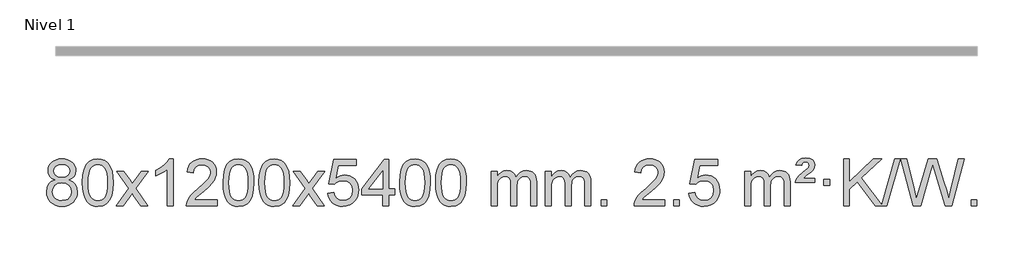
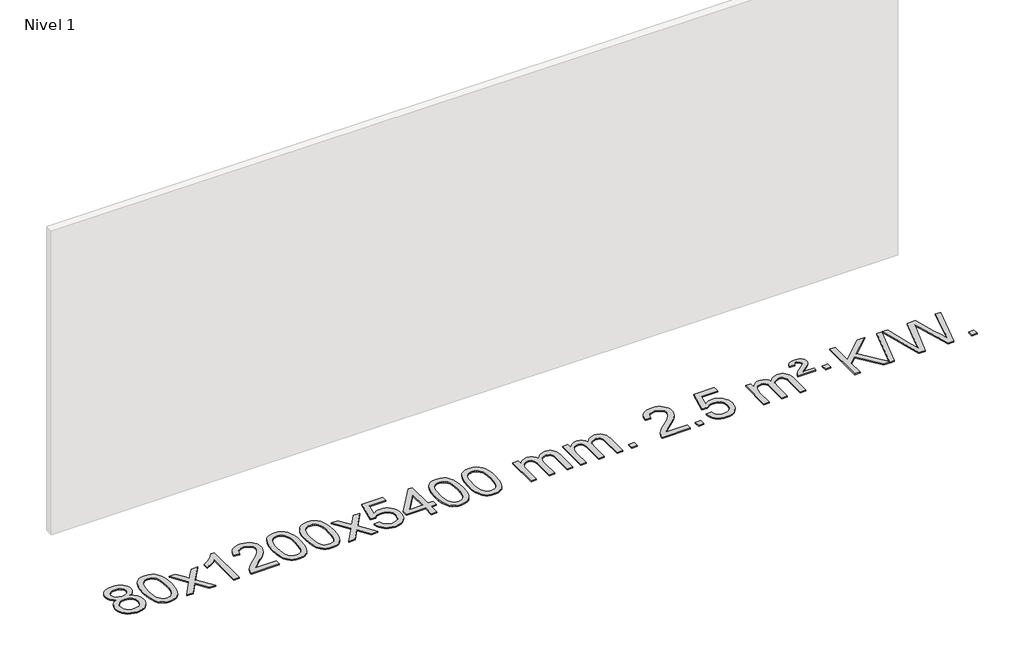
# One storey, part 7 of 9: 1 proxy.
"""IFC4 building model written with IfcOpenShell, lengths in millimetres."""

from ifc_helpers import new_model, si_unit, origin, origin_with_axes, place, context, project, spatial, polyline, outline, extrude, element, save

model = new_model("IFC4")

# Units and contexts
model_context = context("Model", 3, world=origin())
ifc_project = project(units=[si_unit("LENGTHUNIT", "METRE", prefix="MILLI")], contexts=[model_context])

# Site, building, storey
site = spatial("IfcSite", under=ifc_project)
building = spatial("IfcBuilding", under=site)
storey = spatial("IfcBuildingStorey", under=building, Name="Nivel 1", Elevation=0.0)

# Proxy
placement = place(None, origin())
element("IfcBuildingElementProxy", 1, Name="Texto de modelo 1", ObjectType="Texto de modelo 1", at=placement, inside=storey, context=model_context, shape_type="SweptSolid", body=[
    extrude(outline(polyline([(-236.8094438, -3195.2616447), (-263.7016177, -3182.0178929), (-282.573964, -3164.0652515), (-293.7207885, -3141.7716026), (-297.4363966, -3115.5048281), (-295.4130456, -3095.0199324), (-289.3429927, -3076.2395565), (-279.2262378, -3059.1637006), (-265.062781, -3043.7923645), (-247.533204, -3031.088173), (-227.3180883, -3022.0137504), (-204.4174341, -3016.5690969), (-178.8312414, -3014.7542124), (-153.1224213, -3016.6120165), (-130.0500888, -3022.1854287), (-109.614244, -3031.4744491), (-91.8148868, -3044.4790776), (-77.3939126, -3060.1508506), (-67.0932167, -3077.4413044), (-60.9127992, -3096.3504389), (-58.85266, -3116.8782543), (-62.5192172, -3142.2989001), (-73.5188889, -3164.2124043), (-91.9743023, -3182.0546811), (-118.0080848, -3195.2616447), (-87.0937345, -3211.1909351), (-64.5916191, -3234.6495436), (-50.8696207, -3264.5092989), (-46.2956212, -3299.6420295), (-48.5642269, -3324.6947933), (-55.3700438, -3347.6628926), (-66.713072, -3368.5463272), (-82.5933114, -3387.3450971), (-102.1768963, -3402.88198), (-124.6299607, -3413.9797536), (-149.9525047, -3420.6384177), (-178.1445283, -3422.8579724), (-206.3365519, -3420.6292206), (-231.6590959, -3413.9429654), (-254.1121603, -3402.7992066), (-273.6957452, -3387.1979443), (-289.5759846, -3368.26735), (-300.9190128, -3347.135595), (-307.7248297, -3323.8026795), (-309.9934354, -3298.2686033), (-305.2354949, -3261.7747094), (-290.9616735, -3231.7555386), (-267.9077351, -3209.2411605), (-236.8094438, -3195.2616447)]), holes=[polyline([(-247.2082415, -3116.9763561), (-242.7568694, -3138.902123), (-229.402753, -3156.413306), (-207.5382997, -3167.8912243), (-177.5559171, -3171.717197), (-148.2725103, -3167.9157497), (-126.7391508, -3156.5114079), (-113.495399, -3139.5888361), (-109.0808151, -3119.232699), (-113.6425518, -3098.1040098), (-127.327762, -3080.629615), (-149.1554271, -3068.8941794), (-178.1445283, -3064.9823675), (-207.3175705, -3068.8083402), (-229.1084474, -3080.2862585), (-242.683293, -3097.1107284), (-247.2082415, -3116.9763561)]), polyline([(-259.7652803, -3296.5027698), (-257.6683529, -3315.7184726), (-251.3775708, -3334.3210389), (-239.7647625, -3350.5446349), (-221.7017565, -3362.623427), (-200.0702952, -3370.1282197), (-177.7521208, -3372.6298173), (-143.5636208, -3367.3691048), (-129.6699441, -3360.7932141), (-117.909983, -3351.5869672), (-101.870328, -3327.6869002), (-96.5237763, -3298.0723996), (-102.0420062, -3267.9551269), (-118.596696, -3243.5277625), (-130.6754882, -3234.0854579), (-144.838945, -3227.3409547), (-179.4198526, -3221.9453521), (-213.130106, -3227.2673783), (-226.8674329, -3233.919911), (-238.5262264, -3243.2334569), (-254.4555168, -3267.1948375), (-259.7652803, -3296.5027698)])]), origin_with_axes(), (0.0, 0.0, 1.0), 10.0),
    extrude(outline(polyline([(-2.3459855, -3218.9041943), (1.3450971, -3154.5861588), (12.4183452, -3103.2911459), (30.763394, -3064.2343407), (42.621457, -3049.0009605), (56.269879, -3036.6309284), (71.7546453, -3027.0598651), (89.1217412, -3020.2233914), (129.5029215, -3014.7542124), (160.4540601, -3017.991574), (188.167837, -3027.7036586), (211.3444027, -3043.5103217), (228.6839074, -3065.0314184), (241.7805065, -3092.0830078), (252.2283551, -3124.4811488), (259.0709602, -3165.6226186), (261.3518286, -3218.9041943), (257.6975341, -3282.8543477), (246.7346507, -3334.0267333), (228.4999664, -3373.1203266), (216.6694946, -3388.3996922), (203.0302696, -3400.8341036), (187.5271092, -3410.4695462), (170.1048311, -3417.3520052), (129.5029215, -3422.8579724), (101.8381955, -3420.4667394), (77.3127291, -3413.2930405), (55.9265225, -3401.3368757), (37.6795755, -3384.5982449), (20.1683926, -3354.3399508), (7.6604047, -3316.6381776), (0.155612, -3271.4929255), (-2.3459855, -3218.9041943)]), holes=[polyline([(47.8821695, -3218.8060924), (49.3536975, -3262.4706195), (53.7682815, -3297.8148822), (61.1259214, -3324.8388804), (71.4266172, -3343.5426142), (83.8855541, -3356.2682656), (97.7179171, -3365.3580165), (112.9237063, -3370.8118671), (129.5029215, -3372.6298173), (146.0821368, -3370.8057357), (161.2879259, -3365.3334911), (175.1202889, -3356.2130833), (187.5792258, -3343.4445124), (197.8799217, -3324.7101217), (205.2375616, -3297.6922549), (209.6521455, -3262.3909118), (211.1236735, -3218.8060924), (209.7011965, -3176.2973278), (205.4337653, -3141.5753989), (198.3213801, -3114.6403055), (188.3640408, -3095.4920476), (176.1135703, -3082.1440625), (162.1217918, -3072.6097875), (146.3887051, -3066.8892225), (128.9143103, -3064.9823675), (112.4209342, -3066.6623619), (97.4726625, -3071.7023452), (84.0694951, -3080.1023175), (72.2114321, -3091.8622786), (61.5673797, -3112.708925), (53.9644852, -3140.8151094), (49.4027484, -3176.1808319), (47.8821695, -3218.8060924)])]), origin_with_axes(), (0.0, 0.0, 1.0), 10.0),
    extrude(outline(polyline([(286.4659061, -3416.579453), (393.7893469, -3268.2494325), (292.7444255, -3121.4890419), (353.1751746, -3121.4890419), (401.9318017, -3192.122385), (424.6914345, -3225.4770192), (444.4099094, -3198.2047007), (499.9355652, -3121.4890419), (560.3663143, -3121.4890419), (454.2200959, -3268.2494325), (556.4422397, -3416.579453), (496.0114906, -3416.579453), (434.501621, -3327.4048574), (423.2199065, -3311.1199477), (346.8966552, -3416.579453), (286.4659061, -3416.579453)])), origin_with_axes(), (0.0, 0.0, 1.0), 10.0),
    extrude(outline(polyline([(776.1904181, -3416.579453), (725.962263, -3416.579453), (725.962263, -3103.4382987), (704.9929893, -3120.3976587), (678.3828583, -3137.3324932), (625.5059529, -3162.6918254), (625.5059529, -3115.2105225), (664.9551655, -3093.7507395), (699.1314029, -3068.219729), (726.0726276, -3041.0700378), (743.8168025, -3014.7542124), (776.1904181, -3014.7542124), (776.1904181, -3416.579453)])), origin_with_axes(), (0.0, 0.0, 1.0), 10.0),
    extrude(outline(polyline([(1152.9015812, -3366.3512979), (1152.9015812, -3416.579453), (889.203767, -3416.579453), (890.307413, -3398.8965918), (894.5993696, -3381.9494945), (906.9847301, -3354.8856424), (925.1090498, -3328.6311307), (951.3267733, -3301.1503456), (987.9923455, -3270.4076736), (1042.1936261, -3222.2641831), (1074.7143945, -3186.7267824), (1090.9747787, -3157.884834), (1096.3949067, -3129.8277005), (1091.281347, -3104.6768347), (1075.9406678, -3083.7688747), (1052.3594319, -3069.6789943), (1022.5242021, -3064.9823675), (991.1929188, -3069.5686297), (966.8513935, -3083.3274163), (951.1428323, -3105.1796068), (945.7104415, -3134.0460807), (895.4822864, -3127.7675613), (899.8018342, -3101.838012), (907.6591805, -3079.1826125), (919.0543253, -3059.8013627), (933.9872686, -3043.6942627), (952.1146539, -3031.0329907), (973.0931247, -3021.989225), (996.9226809, -3016.5629655), (1023.6033226, -3014.7542124), (1050.5230876, -3016.7653006), (1074.4814025, -3022.7985654), (1095.4782674, -3032.8540066), (1113.5136822, -3046.9316242), (1127.9990358, -3063.9890861), (1138.3457169, -3082.9840598), (1144.5537256, -3103.9165453), (1146.6230618, -3126.7865427), (1144.3912444, -3150.8092369), (1137.695792, -3174.4149983), (1125.8132036, -3198.4254299), (1108.0199778, -3223.6621347), (1079.6562759, -3253.7916701), (1036.0622595, -3292.4805933), (978.2802608, -3340.795762), (955.6187299, -3366.3512979), (1152.9015812, -3366.3512979)])), origin_with_axes(), (0.0, 0.0, 1.0), 10.0),
    extrude(outline(polyline([(1203.1297362, -3218.9041943), (1206.8208189, -3154.5861588), (1217.894067, -3103.2911459), (1236.2391158, -3064.2343407), (1248.0971788, -3049.0009605), (1261.7456008, -3036.6309284), (1277.2303671, -3027.0598651), (1294.597463, -3020.2233914), (1334.9786433, -3014.7542124), (1365.9297818, -3017.991574), (1393.6435588, -3027.7036586), (1416.8201245, -3043.5103217), (1434.1596292, -3065.0314184), (1447.2562282, -3092.0830078), (1457.7040769, -3124.4811488), (1464.546682, -3165.6226186), (1466.8275504, -3218.9041943), (1463.1732559, -3282.8543477), (1452.2103725, -3334.0267333), (1433.9756882, -3373.1203266), (1422.1452164, -3388.3996922), (1408.5059914, -3400.8341036), (1393.002831, -3410.4695462), (1375.5805529, -3417.3520052), (1334.9786433, -3422.8579724), (1307.3139173, -3420.4667394), (1282.7884509, -3413.2930405), (1261.4022443, -3401.3368757), (1243.1552973, -3384.5982449), (1225.6441144, -3354.3399508), (1213.1361265, -3316.6381776), (1205.6313338, -3271.4929255), (1203.1297362, -3218.9041943)]), holes=[polyline([(1253.3578913, -3218.8060924), (1254.8294193, -3262.4706195), (1259.2440032, -3297.8148822), (1266.6016432, -3324.8388804), (1276.902339, -3343.5426142), (1289.3612759, -3356.2682656), (1303.1936389, -3365.3580165), (1318.3994281, -3370.8118671), (1334.9786433, -3372.6298173), (1351.5578586, -3370.8057357), (1366.7636477, -3365.3334911), (1380.5960107, -3356.2130833), (1393.0549476, -3343.4445124), (1403.3556435, -3324.7101217), (1410.7132834, -3297.6922549), (1415.1278673, -3262.3909118), (1416.5993953, -3218.8060924), (1415.1769183, -3176.2973278), (1410.9094871, -3141.5753989), (1403.7971019, -3114.6403055), (1393.8397625, -3095.4920476), (1381.5892921, -3082.1440625), (1367.5975136, -3072.6097875), (1351.8644269, -3066.8892225), (1334.3900321, -3064.9823675), (1317.896656, -3066.6623619), (1302.9483843, -3071.7023452), (1289.5452169, -3080.1023175), (1277.6871539, -3091.8622786), (1267.0431015, -3112.708925), (1259.440207, -3140.8151094), (1254.8784702, -3176.1808319), (1253.3578913, -3218.8060924)])]), origin_with_axes(), (0.0, 0.0, 1.0), 10.0),
    extrude(outline(polyline([(1510.7771861, -3218.9041943), (1514.4682688, -3154.5861588), (1525.5415168, -3103.2911459), (1543.8865656, -3064.2343407), (1555.7446286, -3049.0009605), (1569.3930506, -3036.6309284), (1584.877817, -3027.0598651), (1602.2449128, -3020.2233914), (1642.6260932, -3014.7542124), (1673.5772317, -3017.991574), (1701.2910087, -3027.7036586), (1724.4675743, -3043.5103217), (1741.8070791, -3065.0314184), (1754.9036781, -3092.0830078), (1765.3515267, -3124.4811488), (1772.1941319, -3165.6226186), (1774.4750002, -3218.9041943), (1770.8207057, -3282.8543477), (1759.8578223, -3334.0267333), (1741.6231381, -3373.1203266), (1729.7926662, -3388.3996922), (1716.1534413, -3400.8341036), (1700.6502808, -3410.4695462), (1683.2280027, -3417.3520052), (1642.6260932, -3422.8579724), (1614.9613671, -3420.4667394), (1590.4359008, -3413.2930405), (1569.0496941, -3401.3368757), (1550.8027472, -3384.5982449), (1533.2915642, -3354.3399508), (1520.7835764, -3316.6381776), (1513.2787836, -3271.4929255), (1510.7771861, -3218.9041943)]), holes=[polyline([(1561.0053412, -3218.8060924), (1562.4768691, -3262.4706195), (1566.8914531, -3297.8148822), (1574.249093, -3324.8388804), (1584.5497888, -3343.5426142), (1597.0087258, -3356.2682656), (1610.8410888, -3365.3580165), (1626.0468779, -3370.8118671), (1642.6260932, -3372.6298173), (1659.2053084, -3370.8057357), (1674.4110975, -3365.3334911), (1688.2434606, -3356.2130833), (1700.7023975, -3343.4445124), (1711.0030933, -3324.7101217), (1718.3607332, -3297.6922549), (1722.7753172, -3262.3909118), (1724.2468452, -3218.8060924), (1722.8243681, -3176.2973278), (1718.556937, -3141.5753989), (1711.4445517, -3114.6403055), (1701.4872124, -3095.4920476), (1689.2367419, -3082.1440625), (1675.2449634, -3072.6097875), (1659.5118767, -3066.8892225), (1642.037482, -3064.9823675), (1625.5441058, -3066.6623619), (1610.5958341, -3071.7023452), (1597.1926667, -3080.1023175), (1585.3346038, -3091.8622786), (1574.6905514, -3112.708925), (1567.0876568, -3140.8151094), (1562.5259201, -3176.1808319), (1561.0053412, -3218.8060924)])]), origin_with_axes(), (0.0, 0.0, 1.0), 10.0),
    extrude(outline(polyline([(1799.5890778, -3416.579453), (1906.9125185, -3268.2494325), (1805.8675971, -3121.4890419), (1866.2983462, -3121.4890419), (1915.0549733, -3192.122385), (1937.8146061, -3225.4770192), (1957.533081, -3198.2047007), (2013.0587368, -3121.4890419), (2073.4894859, -3121.4890419), (1967.3432676, -3268.2494325), (2069.5654113, -3416.579453), (2009.1346622, -3416.579453), (1947.6247926, -3327.4048574), (1936.3430781, -3311.1199477), (1860.0198268, -3416.579453), (1799.5890778, -3416.579453)])), origin_with_axes(), (0.0, 0.0, 1.0), 10.0),
    extrude(outline(polyline([(2100.9580082, -3309.8446235), (2151.1861633, -3303.5661041), (2160.4077386, -3333.7201649), (2176.4964446, -3355.3148381), (2199.3787047, -3368.3010725), (2228.9809425, -3372.6298173), (2248.1108063, -3371.1245668), (2264.9843271, -3366.6088153), (2279.6015051, -3359.0825628), (2291.9623401, -3348.5458094), (2301.7909207, -3335.519721), (2308.8113355, -3320.5254641), (2314.4276673, -3284.6324441), (2309.1669547, -3250.8363514), (2302.5910641, -3236.9181493), (2293.3848172, -3224.9865099), (2281.5175571, -3215.4154467), (2266.9586272, -3208.5789729), (2229.7657575, -3203.1097939), (2205.3997066, -3205.2925604), (2185.668969, -3211.8408599), (2169.9113568, -3221.8717757), (2157.4646827, -3234.5023908), (2107.2365276, -3228.2238715), (2151.1861633, -3021.0327318), (2345.8202642, -3021.0327318), (2345.8202642, -3071.2608869), (2191.8003356, -3071.2608869), (2170.316027, -3181.919791), (2188.0418078, -3169.2155994), (2206.1967843, -3160.1411769), (2224.7809564, -3154.6965234), (2243.7943242, -3152.8816388), (2268.2554112, -3155.1318504), (2290.7238041, -3161.882485), (2311.1995028, -3173.1335427), (2329.6825073, -3188.8850234), (2344.9833327, -3208.1743027), (2355.9124936, -3230.038756), (2362.4699902, -3254.4783832), (2364.6558224, -3281.4931844), (2362.6876537, -3307.5147042), (2356.7831477, -3331.7213394), (2346.9423043, -3354.1130902), (2333.1651236, -3374.6899565), (2312.2939517, -3395.7634634), (2287.9401636, -3410.8159684), (2260.1037593, -3419.8474714), (2228.7847388, -3422.8579724), (2202.8643866, -3420.9235262), (2179.4517632, -3415.1201877), (2158.5468689, -3405.447957), (2140.1497034, -3391.9068338), (2124.8427467, -3375.1712688), (2113.2084787, -3355.915712), (2105.2468991, -3334.1401636), (2100.9580082, -3309.8446235)])), origin_with_axes(), (0.0, 0.0, 1.0), 10.0),
    extrude(outline(polyline([(2571.846962, -3416.579453), (2571.846962, -3322.4016622), (2389.7698999, -3322.4016622), (2389.7698999, -3272.1735072), (2584.4040008, -3021.0327318), (2622.0751171, -3021.0327318), (2622.0751171, -3272.1735072), (2672.3032722, -3272.1735072), (2672.3032722, -3322.4016622), (2622.0751171, -3322.4016622), (2622.0751171, -3416.579453), (2571.846962, -3416.579453)]), holes=[polyline([(2571.846962, -3272.1735072), (2571.846962, -3116.9763561), (2451.5740751, -3272.1735072), (2571.846962, -3272.1735072)])]), origin_with_axes(), (0.0, 0.0, 1.0), 10.0),
    extrude(outline(polyline([(2716.2529079, -3218.9041943), (2719.9439906, -3154.5861588), (2731.0172386, -3103.2911459), (2749.3622874, -3064.2343407), (2761.2203504, -3049.0009605), (2774.8687724, -3036.6309284), (2790.3535388, -3027.0598651), (2807.7206346, -3020.2233914), (2848.1018149, -3014.7542124), (2879.0529535, -3017.991574), (2906.7667304, -3027.7036586), (2929.9432961, -3043.5103217), (2947.2828008, -3065.0314184), (2960.3793999, -3092.0830078), (2970.8272485, -3124.4811488), (2977.6698537, -3165.6226186), (2979.950722, -3218.9041943), (2976.2964275, -3282.8543477), (2965.3335441, -3334.0267333), (2947.0988599, -3373.1203266), (2935.268388, -3388.3996922), (2921.6291631, -3400.8341036), (2906.1260026, -3410.4695462), (2888.7037245, -3417.3520052), (2848.1018149, -3422.8579724), (2820.4370889, -3420.4667394), (2795.9116226, -3413.2930405), (2774.5254159, -3401.3368757), (2756.278469, -3384.5982449), (2738.767286, -3354.3399508), (2726.2592981, -3316.6381776), (2718.7545054, -3271.4929255), (2716.2529079, -3218.9041943)]), holes=[polyline([(2766.481063, -3218.8060924), (2767.9525909, -3262.4706195), (2772.3671749, -3297.8148822), (2779.7248148, -3324.8388804), (2790.0255106, -3343.5426142), (2802.4844475, -3356.2682656), (2816.3168106, -3365.3580165), (2831.5225997, -3370.8118671), (2848.1018149, -3372.6298173), (2864.6810302, -3370.8057357), (2879.8868193, -3365.3334911), (2893.7191824, -3356.2130833), (2906.1781193, -3343.4445124), (2916.4788151, -3324.7101217), (2923.836455, -3297.6922549), (2928.251039, -3262.3909118), (2929.7225669, -3218.8060924), (2928.3000899, -3176.2973278), (2924.0326588, -3141.5753989), (2916.9202735, -3114.6403055), (2906.9629342, -3095.4920476), (2894.7124637, -3082.1440625), (2880.7206852, -3072.6097875), (2864.9875985, -3066.8892225), (2847.5132038, -3064.9823675), (2831.0198276, -3066.6623619), (2816.0715559, -3071.7023452), (2802.6683885, -3080.1023175), (2790.8103256, -3091.8622786), (2780.1662732, -3112.708925), (2772.5633786, -3140.8151094), (2768.0016419, -3176.1808319), (2766.481063, -3218.8060924)])]), origin_with_axes(), (0.0, 0.0, 1.0), 10.0),
    extrude(outline(polyline([(3023.9003577, -3218.9041943), (3027.5914404, -3154.5861588), (3038.6646885, -3103.2911459), (3057.0097373, -3064.2343407), (3068.8678003, -3049.0009605), (3082.5162223, -3036.6309284), (3098.0009886, -3027.0598651), (3115.3680844, -3020.2233914), (3155.7492648, -3014.7542124), (3186.7004033, -3017.991574), (3214.4141803, -3027.7036586), (3237.590746, -3043.5103217), (3254.9302507, -3065.0314184), (3268.0268497, -3092.0830078), (3278.4746984, -3124.4811488), (3285.3173035, -3165.6226186), (3287.5981719, -3218.9041943), (3283.9438774, -3282.8543477), (3272.9809939, -3334.0267333), (3254.7463097, -3373.1203266), (3242.9158379, -3388.3996922), (3229.2766129, -3400.8341036), (3213.7734525, -3410.4695462), (3196.3511743, -3417.3520052), (3155.7492648, -3422.8579724), (3128.0845387, -3420.4667394), (3103.5590724, -3413.2930405), (3082.1728657, -3401.3368757), (3063.9259188, -3384.5982449), (3046.4147358, -3354.3399508), (3033.906748, -3316.6381776), (3026.4019553, -3271.4929255), (3023.9003577, -3218.9041943)]), holes=[polyline([(3074.1285128, -3218.8060924), (3075.6000408, -3262.4706195), (3080.0146247, -3297.8148822), (3087.3722646, -3324.8388804), (3097.6729605, -3343.5426142), (3110.1318974, -3356.2682656), (3123.9642604, -3365.3580165), (3139.1700495, -3370.8118671), (3155.7492648, -3372.6298173), (3172.32848, -3370.8057357), (3187.5342692, -3365.3334911), (3201.3666322, -3356.2130833), (3213.8255691, -3343.4445124), (3224.126265, -3324.7101217), (3231.4839049, -3297.6922549), (3235.8984888, -3262.3909118), (3237.3700168, -3218.8060924), (3235.9475397, -3176.2973278), (3231.6801086, -3141.5753989), (3224.5677233, -3114.6403055), (3214.610384, -3095.4920476), (3202.3599136, -3082.1440625), (3188.368135, -3072.6097875), (3172.6350484, -3066.8892225), (3155.1606536, -3064.9823675), (3138.6672775, -3066.6623619), (3123.7190057, -3071.7023452), (3110.3158384, -3080.1023175), (3098.4577754, -3091.8622786), (3087.813723, -3112.708925), (3080.2108284, -3140.8151094), (3075.6490917, -3176.1808319), (3074.1285128, -3218.8060924)])]), origin_with_axes(), (0.0, 0.0, 1.0), 10.0),
    extrude(outline(polyline([(3501.0678309, -3416.579453), (3501.0678309, -3121.4890419), (3551.295986, -3121.4890419), (3551.295986, -3170.0494653), (3566.4036733, -3147.7435537), (3585.8278426, -3130.2691589), (3608.9063064, -3118.9751816), (3634.9768772, -3115.2105225), (3662.9113833, -3119.048758), (3685.3031341, -3130.5634645), (3702.0295022, -3148.9943524), (3712.9678601, -3173.5811324), (3731.2761208, -3148.0439906), (3752.1595554, -3129.803175), (3775.6181639, -3118.8586857), (3801.6519464, -3115.2105225), (3821.7597632, -3116.7280358), (3839.4089019, -3121.2805755), (3854.5993626, -3128.8681416), (3867.3311453, -3139.4907342), (3877.3957836, -3153.2709806), (3884.5848109, -3170.3315082), (3888.8982273, -3190.6723168), (3890.3360328, -3214.2934066), (3890.3360328, -3416.579453), (3840.1078777, -3416.579453), (3840.1078777, -3235.875817), (3838.942918, -3210.8230531), (3835.4480391, -3193.9372695), (3828.8997396, -3182.3735121), (3818.5745182, -3173.2868268), (3805.2939782, -3167.4007149), (3789.8797226, -3165.4386776), (3762.6687177, -3170.4663982), (3740.4854334, -3185.54956), (3731.8800604, -3197.1194488), (3725.7333654, -3211.7182326), (3720.8160094, -3250.0024856), (3720.8160094, -3416.579453), (3670.5878543, -3416.579453), (3670.5878543, -3230.2840106), (3667.6815865, -3201.8835206), (3658.9627833, -3181.6254854), (3643.6221041, -3169.4853796), (3620.8502086, -3165.4386776), (3601.4996156, -3168.1364789), (3583.6696016, -3176.2298828), (3568.9543218, -3189.5226856), (3558.9479315, -3207.8186835), (3553.2089724, -3233.2025411), (3551.295986, -3267.7589232), (3551.295986, -3416.579453), (3501.0678309, -3416.579453)])), origin_with_axes(), (0.0, 0.0, 1.0), 10.0),
    extrude(outline(polyline([(3965.6782654, -3416.579453), (3965.6782654, -3121.4890419), (4015.9064204, -3121.4890419), (4015.9064204, -3170.0494653), (4031.0141077, -3147.7435537), (4050.4382771, -3130.2691589), (4073.5167409, -3118.9751816), (4099.5873116, -3115.2105225), (4127.5218178, -3119.048758), (4149.9135685, -3130.5634645), (4166.6399366, -3148.9943524), (4177.5782946, -3173.5811324), (4195.8865552, -3148.0439906), (4216.7699898, -3129.803175), (4240.2285984, -3118.8586857), (4266.2623809, -3115.2105225), (4286.3701976, -3116.7280358), (4304.0193363, -3121.2805755), (4319.209797, -3128.8681416), (4331.9415798, -3139.4907342), (4342.006218, -3153.2709806), (4349.1952453, -3170.3315082), (4353.5086617, -3190.6723168), (4354.9464672, -3214.2934066), (4354.9464672, -3416.579453), (4304.7183121, -3416.579453), (4304.7183121, -3235.875817), (4303.5533525, -3210.8230531), (4300.0584735, -3193.9372695), (4293.510174, -3182.3735121), (4283.1849527, -3173.2868268), (4269.9044126, -3167.4007149), (4254.490157, -3165.4386776), (4227.2791521, -3170.4663982), (4205.0958678, -3185.54956), (4196.4904948, -3197.1194488), (4190.3437998, -3211.7182326), (4185.4264438, -3250.0024856), (4185.4264438, -3416.579453), (4135.1982887, -3416.579453), (4135.1982887, -3230.2840106), (4132.292021, -3201.8835206), (4123.5732177, -3181.6254854), (4108.2325385, -3169.4853796), (4085.460643, -3165.4386776), (4066.11005, -3168.1364789), (4048.280036, -3176.2298828), (4033.5647562, -3189.5226856), (4023.5583659, -3207.8186835), (4017.8194068, -3233.2025411), (4015.9064204, -3267.7589232), (4015.9064204, -3416.579453), (3965.6782654, -3416.579453)])), origin_with_axes(), (0.0, 0.0, 1.0), 10.0),
    extrude(outline(polyline([(4442.8457386, -3416.579453), (4442.8457386, -3366.3512979), (4493.0738936, -3366.3512979), (4493.0738936, -3416.579453), (4442.8457386, -3416.579453)])), origin_with_axes(), (0.0, 0.0, 1.0), 10.0),
    extrude(outline(polyline([(4989.076925, -3366.3512979), (4989.076925, -3416.579453), (4725.3791109, -3416.579453), (4726.4827569, -3398.8965918), (4730.7747135, -3381.9494945), (4743.160074, -3354.8856424), (4761.2843936, -3328.6311307), (4787.5021171, -3301.1503456), (4824.1676893, -3270.4076736), (4878.3689699, -3222.2641831), (4910.8897383, -3186.7267824), (4927.1501225, -3157.884834), (4932.5702506, -3129.8277005), (4927.4566908, -3104.6768347), (4912.1160116, -3083.7688747), (4888.5347757, -3069.6789943), (4858.6995459, -3064.9823675), (4827.3682627, -3069.5686297), (4803.0267373, -3083.3274163), (4787.3181761, -3105.1796068), (4781.8857853, -3134.0460807), (4731.6576303, -3127.7675613), (4735.977178, -3101.838012), (4743.8345243, -3079.1826125), (4755.2296691, -3059.8013627), (4770.1626124, -3043.6942627), (4788.2899977, -3031.0329907), (4809.2684685, -3021.989225), (4833.0980247, -3016.5629655), (4859.7786664, -3014.7542124), (4886.6984314, -3016.7653006), (4910.6567464, -3022.7985654), (4931.6536112, -3032.8540066), (4949.6890261, -3046.9316242), (4964.1743796, -3063.9890861), (4974.5210607, -3082.9840598), (4980.7290694, -3103.9165453), (4982.7984056, -3126.7865427), (4980.5665882, -3150.8092369), (4973.8711359, -3174.4149983), (4961.9885474, -3198.4254299), (4944.1953216, -3223.6621347), (4915.8316198, -3253.7916701), (4872.2376033, -3292.4805933), (4814.4556046, -3340.795762), (4791.7940737, -3366.3512979), (4989.076925, -3366.3512979)])), origin_with_axes(), (0.0, 0.0, 1.0), 10.0),
    extrude(outline(polyline([(5064.4191576, -3416.579453), (5064.4191576, -3366.3512979), (5114.6473127, -3366.3512979), (5114.6473127, -3416.579453), (5064.4191576, -3416.579453)])), origin_with_axes(), (0.0, 0.0, 1.0), 10.0),
    extrude(outline(polyline([(5196.2680647, -3309.8446235), (5246.4962198, -3303.5661041), (5255.7177951, -3333.7201649), (5271.806501, -3355.3148381), (5294.6887611, -3368.3010725), (5324.290999, -3372.6298173), (5343.4208628, -3371.1245668), (5360.2943836, -3366.6088153), (5374.9115616, -3359.0825628), (5387.2723966, -3348.5458094), (5397.1009772, -3335.519721), (5404.121392, -3320.5254641), (5409.7377238, -3284.6324441), (5404.4770112, -3250.8363514), (5397.9011206, -3236.9181493), (5388.6948736, -3224.9865099), (5376.8276136, -3215.4154467), (5362.2686837, -3208.5789729), (5325.0758139, -3203.1097939), (5300.7097631, -3205.2925604), (5280.9790255, -3211.8408599), (5265.2214133, -3221.8717757), (5252.7747392, -3234.5023908), (5202.5465841, -3228.2238715), (5246.4962198, -3021.0327318), (5441.1303207, -3021.0327318), (5441.1303207, -3071.2608869), (5287.110392, -3071.2608869), (5265.6260835, -3181.919791), (5283.3518643, -3169.2155994), (5301.5068408, -3160.1411769), (5320.0910129, -3154.6965234), (5339.1043807, -3152.8816388), (5363.5654677, -3155.1318504), (5386.0338605, -3161.882485), (5406.5095593, -3173.1335427), (5424.9925638, -3188.8850234), (5440.2933891, -3208.1743027), (5451.2225501, -3230.038756), (5457.7800467, -3254.4783832), (5459.9658788, -3281.4931844), (5457.9977102, -3307.5147042), (5452.0932041, -3331.7213394), (5442.2523608, -3354.1130902), (5428.4751801, -3374.6899565), (5407.6040082, -3395.7634634), (5383.2502201, -3410.8159684), (5355.4138158, -3419.8474714), (5324.0947953, -3422.8579724), (5298.174443, -3420.9235262), (5274.7618197, -3415.1201877), (5253.8569254, -3405.447957), (5235.4597599, -3391.9068338), (5220.1528032, -3375.1712688), (5208.5185351, -3355.915712), (5200.5569556, -3334.1401636), (5196.2680647, -3309.8446235)])), origin_with_axes(), (0.0, 0.0, 1.0), 10.0),
    extrude(outline(polyline([(5673.4355379, -3416.579453), (5673.4355379, -3121.4890419), (5723.663693, -3121.4890419), (5723.663693, -3170.0494653), (5738.7713803, -3147.7435537), (5758.1955496, -3130.2691589), (5781.2740134, -3118.9751816), (5807.3445842, -3115.2105225), (5835.2790903, -3119.048758), (5857.6708411, -3130.5634645), (5874.3972091, -3148.9943524), (5885.3355671, -3173.5811324), (5903.6438278, -3148.0439906), (5924.5272623, -3129.803175), (5947.9858709, -3118.8586857), (5974.0196534, -3115.2105225), (5994.1274702, -3116.7280358), (6011.7766089, -3121.2805755), (6026.9670696, -3128.8681416), (6039.6988523, -3139.4907342), (6049.7634906, -3153.2709806), (6056.9525179, -3170.3315082), (6061.2659343, -3190.6723168), (6062.7037397, -3214.2934066), (6062.7037397, -3416.579453), (6012.4755847, -3416.579453), (6012.4755847, -3235.875817), (6011.310625, -3210.8230531), (6007.8157461, -3193.9372695), (6001.2674465, -3182.3735121), (5990.9422252, -3173.2868268), (5977.6616852, -3167.4007149), (5962.2474296, -3165.4386776), (5935.0364247, -3170.4663982), (5912.8531404, -3185.54956), (5904.2477674, -3197.1194488), (5898.1010724, -3211.7182326), (5893.1837164, -3250.0024856), (5893.1837164, -3416.579453), (5842.9555613, -3416.579453), (5842.9555613, -3230.2840106), (5840.0492935, -3201.8835206), (5831.3304902, -3181.6254854), (5815.989811, -3169.4853796), (5793.2179155, -3165.4386776), (5773.8673226, -3168.1364789), (5756.0373086, -3176.2298828), (5741.3220287, -3189.5226856), (5731.3156385, -3207.8186835), (5725.5766794, -3233.2025411), (5723.663693, -3267.7589232), (5723.663693, -3416.579453), (5673.4355379, -3416.579453)])), origin_with_axes(), (0.0, 0.0, 1.0), 10.0),
    extrude(outline(polyline([(6106.6533754, -3215.6668327), (6110.4793482, -3199.8479069), (6118.8180067, -3183.9799302), (6140.3268407, -3158.8413272), (6172.2835234, -3131.1030247), (6216.4293628, -3093.726214), (6223.5662735, -3082.1992448), (6225.9452437, -3070.3779701), (6224.0567828, -3058.2869152), (6218.3914001, -3048.5012541), (6209.022672, -3042.026531), (6196.0241748, -3039.8682899), (6183.5897634, -3041.4869707), (6174.73607, -3046.343013), (6168.3103978, -3055.8098431), (6163.1600499, -3071.2608869), (6112.9318948, -3064.9823675), (6123.7721509, -3039.7701881), (6140.4004171, -3022.2099542), (6164.165594, -3011.9092583), (6196.4165822, -3008.475693), (6232.1992376, -3012.6082341), (6256.9454332, -3025.0058573), (6271.3664074, -3043.3386434), (6276.1733988, -3065.2766731), (6272.0776459, -3088.1834586), (6259.7903873, -3109.8149199), (6239.262572, -3129.6314968), (6202.7932035, -3157.6886303), (6177.1886166, -3184.2742358), (6276.1733988, -3184.2742358), (6276.1733988, -3215.6668327), (6106.6533754, -3215.6668327)])), origin_with_axes(), (0.0, 0.0, 1.0), 10.0),
    extrude(outline(polyline([(6351.5156314, -3240.7809102), (6351.5156314, -3190.5527552), (6401.7437865, -3190.5527552), (6401.7437865, -3240.7809102), (6351.5156314, -3240.7809102)])), origin_with_axes(), (0.0, 0.0, 1.0), 10.0),
    extrude(outline(polyline([(6792.3854144, -3416.579453), (6638.954097, -3213.9009991), (6571.2638099, -3278.4520265), (6571.2638099, -3416.579453), (6521.0356548, -3416.579453), (6521.0356548, -3014.7542124), (6571.2638099, -3014.7542124), (6571.2638099, -3211.4484525), (6777.2777272, -3014.7542124), (6847.5186628, -3014.7542124), (6674.5650741, -3179.9577537), (6849.218684, -3410.5349332), (6960.5320117, -3014.7542124), (7005.8550735, -3014.7542124), (6892.8417246, -3416.579453), (6853.7971822, -3416.579453), (6847.5186628, -3416.579453), (6792.3854144, -3416.579453)])), origin_with_axes(), (0.0, 0.0, 1.0), 10.0),
    extrude(outline(polyline([(7120.3399504, -3416.579453), (7010.7601668, -3014.7542124), (7062.5579517, -3014.7542124), (7126.1279605, -3278.844434), (7145.7483335, -3360.3670841), (7166.7421327, -3288.2622131), (7246.4008474, -3014.7542124), (7321.056367, -3014.7542124), (7378.9364675, -3213.0180823), (7403.731714, -3286.5944814), (7422.0031864, -3360.3670841), (7441.0349483, -3281.1988788), (7505.1935683, -3014.7542124), (7556.9913532, -3014.7542124), (7447.3134677, -3416.579453), (7393.6517474, -3416.579453), (7297.3157155, -3106.5775584), (7283.87576, -3063.3146358), (7268.7680727, -3115.4067263), (7180.9669032, -3416.579453), (7120.3399504, -3416.579453)])), origin_with_axes(), (0.0, 0.0, 1.0), 10.0),
    extrude(outline(polyline([(7613.4980277, -3416.579453), (7613.4980277, -3366.3512979), (7663.7261827, -3366.3512979), (7663.7261827, -3416.579453), (7613.4980277, -3416.579453)])), origin_with_axes(), (0.0, 0.0, 1.0), 10.0),
])

save(model, "model.ifc")
